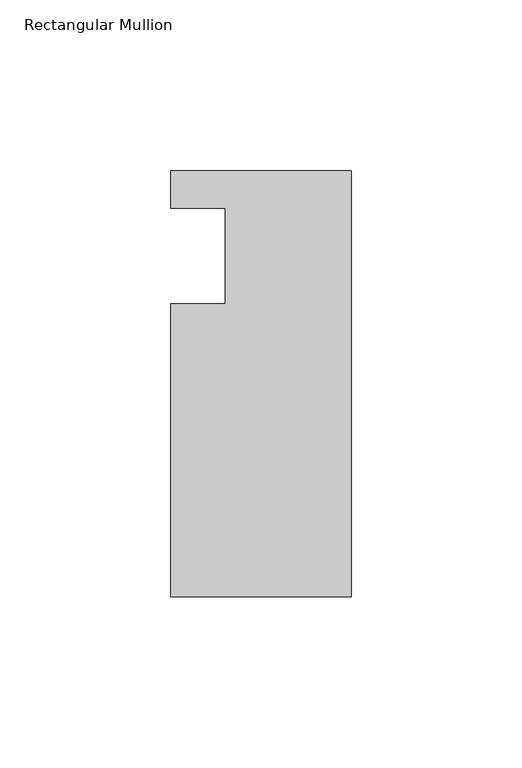
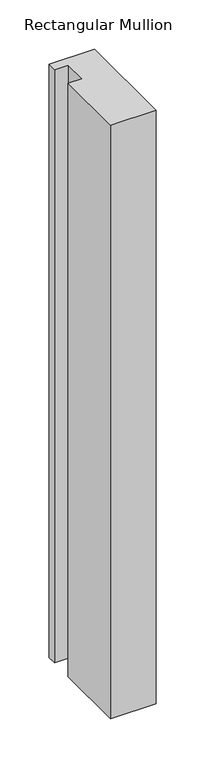
"""IFC4 building model written with IfcOpenShell, lengths in millimetres: member geometry, Rectangular Mullion."""

from ifc_helpers import new_model, si_unit, frame, origin, place, context, project, spatial, polyline, outline, extrude, source, transform, mapped, element, save


def rectangular_mullion_2a4f0a1a(model_context):
    return source(origin(), model_context, "Body", "SweptSolid", [
        extrude(outline(polyline([(0.0, 25.0), (0.0, -100.0), (-53.0, -100.0), (-53.0, -13.9998907), (-37.0, -13.9998907), (-37.0, 14.0), (-53.0, 14.0), (-53.0, 25.0), (0.0, 25.0)])), frame((0.0, 0.0, -735.0030172), z_axis=(0.0, 0.0, 1.0), x_axis=(1.0, 0.0, 0.0)), (0.0, 0.0, 1.0), 735.0030172),
    ])


if __name__ == "__main__":
    model = new_model("IFC4")
    model_context = context("Model", 3, world=origin())
    ifc_project = project(units=[si_unit("LENGTHUNIT", "METRE", prefix="MILLI")], contexts=[model_context])
    site = spatial("IfcSite", under=ifc_project)
    building = spatial("IfcBuilding", under=site)
    placement = place(None, origin())
    rectangular_mullion_shape = rectangular_mullion_2a4f0a1a(model_context)
    element("IfcMember", 1, ObjectType="Rectangular Mullion", at=placement, inside=building, context=model_context, shape_type="MappedRepresentation", body=[
        mapped(rectangular_mullion_shape, transform((0.0, 0.0, 0.0), x_axis=(1.0, 0.0, 0.0), y_axis=(0.0, 1.0, 0.0), z_axis=(0.0, 0.0, 1.0))),
    ])
    save(model, "model.ifc")
